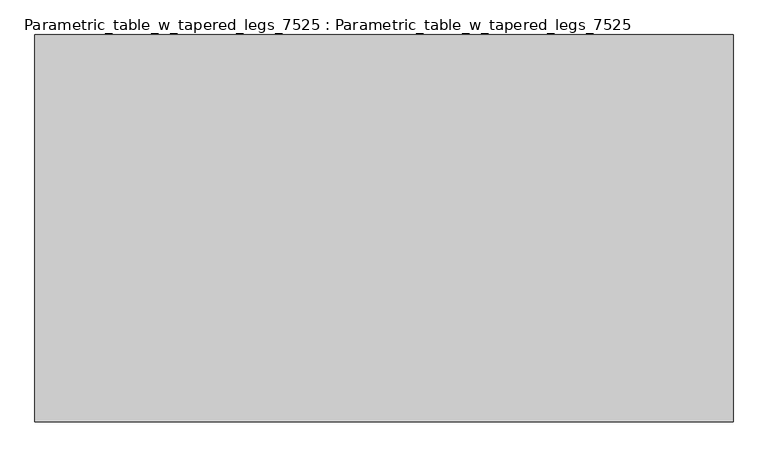
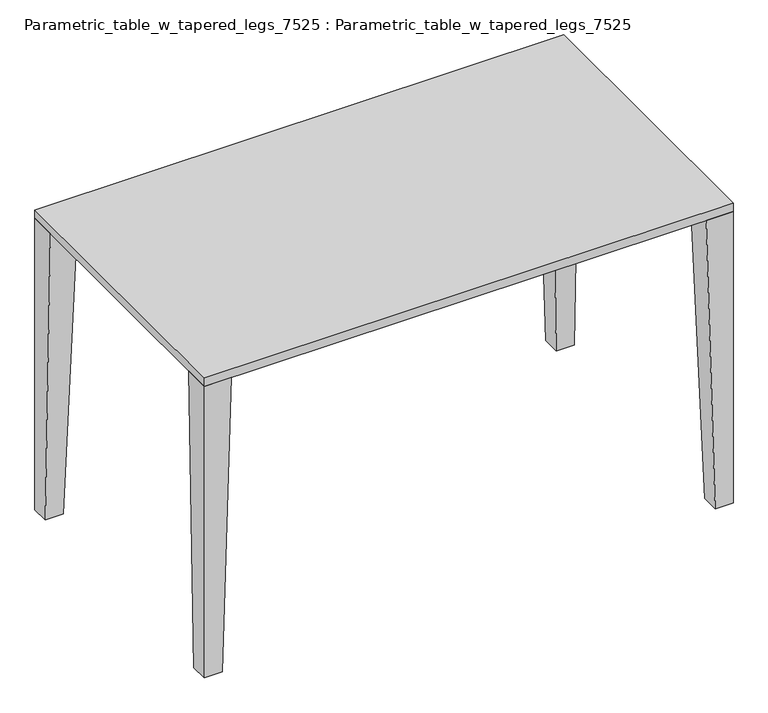
"""IFC4 building model written with IfcOpenShell, lengths in millimetres: furniture geometry, Parametric_table_w_tapered_legs_7525 : Parametric_table_w_tapered_legs_7525."""

import ifcopenshell
import ifcopenshell.guid

model = None  # the IFC model being written
_history = None  # IfcOwnerHistory: only IFC2X3 demands one
_inside = {}  # id of a spatial element -> (the spatial element, [elements in it])
_under = {}  # id of a project, library or spatial element -> (it, [spatial elements below it])
_declared = {}  # id of a project -> (the project, [libraries it declares])
_typed = {}  # id of a type object -> (the type object, [elements of that type])
_made_of = {}  # id of a material, layer set ... -> (it, [elements and type objects made of it])


def new_model(schema):
    """Start an empty IFC model of exactly this schema.

    Asked for "IFC4X3", IfcOpenShell would pick the latest addendum, in which some entities
    have other attributes; the version numbers below select the first issue.
    IFC2X3 requires an IfcOwnerHistory on every rooted entity: one is made here for all.
    """
    global model, _history
    if schema == "IFC4X3":
        model = ifcopenshell.file(schema_version=(4, 3, 0, 0))
    else:
        model = ifcopenshell.file(schema=schema)
    _inside.clear()
    _under.clear()
    _declared.clear()
    _typed.clear()
    _made_of.clear()
    _history = None
    if model.schema == "IFC2X3":
        org = make("IfcOrganization", Name="unknown")
        user = make(
            "IfcPersonAndOrganization",
            ThePerson=make("IfcPerson", FamilyName="unknown"),
            TheOrganization=org,
        )
        app = make(
            "IfcApplication",
            ApplicationDeveloper=org,
            Version="unknown",
            ApplicationFullName="unknown",
            ApplicationIdentifier="unknown",
        )
        _history = make(
            "IfcOwnerHistory",
            OwningUser=user,
            OwningApplication=app,
            ChangeAction="ADDED",
            CreationDate=0,
        )
    return model


def make(cls, **values):
    """One entity of the class cls with the attributes given. An attribute that is None is left unset."""
    return model.create_entity(
        cls, **{name: value for name, value in values.items() if value is not None}
    )


def rooted(cls, **values):
    """An entity with a GlobalId (a new one), such as an element, a storey or a relation."""
    return make(cls, GlobalId=ifcopenshell.guid.new(), OwnerHistory=_history, **values)


def si_unit(unit_type, name, prefix=None):
    """IfcSIUnit, for example si_unit("LENGTHUNIT", "METRE", prefix="MILLI")."""
    return make("IfcSIUnit", UnitType=unit_type, Prefix=prefix, Name=name)


def assignment(units):
    """IfcUnitAssignment: the units of a project."""
    return None if units is None else make("IfcUnitAssignment", Units=units)


def point(xyz):
    """IfcCartesianPoint."""
    return None if xyz is None else make("IfcCartesianPoint", Coordinates=xyz)


def direction(xyz):
    """IfcDirection."""
    return None if xyz is None else make("IfcDirection", DirectionRatios=xyz)


def frame(location, z_axis=None, x_axis=None):
    """IfcAxis2Placement3D, a coordinate frame: its origin and axes. An axis left out is left unset."""
    return make(
        "IfcAxis2Placement3D",
        Location=point(location),
        Axis=direction(z_axis),
        RefDirection=direction(x_axis),
    )


def origin():
    """The frame at (0, 0, 0) with its axes left unset."""
    return frame((0.0, 0.0, 0.0))


def place(relative_to, where):
    """IfcLocalPlacement: puts the frame where relative to a parent placement (None: the world)."""
    return make(
        "IfcLocalPlacement", PlacementRelTo=relative_to, RelativePlacement=where
    )


def context(
    kind, dimensions, precision=None, world=None, true_north=None, identifier=None
):
    """IfcGeometricRepresentationContext, for example the 3D "Model" context."""
    return make(
        "IfcGeometricRepresentationContext",
        ContextIdentifier=identifier,
        ContextType=kind,
        CoordinateSpaceDimension=dimensions,
        Precision=precision,
        WorldCoordinateSystem=world,
        TrueNorth=true_north,
    )


def project(units=None, contexts=None):
    """IfcProject with its units and contexts."""
    return rooted(
        "IfcProject",
        Name="project",
        RepresentationContexts=contexts,
        UnitsInContext=assignment(units),
    )


def spatial(cls, under=None, at=None, **own):
    """A site, building, storey or space (cls), placed at a placement, below another one or the project."""
    s = rooted(cls, ObjectPlacement=at, **own)
    if under is not None:
        _under.setdefault(under.id(), (under, []))[1].append(s)
    return s


def polyline(points):
    """IfcPolyline through the points."""
    return make("IfcPolyline", Points=[point(p) for p in points])


def outline(outer, holes=None, kind="AREA"):
    """IfcArbitraryClosedProfileDef: a profile drawn as a closed curve; with holes, ...WithVoids."""
    if holes is None:
        return make("IfcArbitraryClosedProfileDef", ProfileType=kind, OuterCurve=outer)
    return make(
        "IfcArbitraryProfileDefWithVoids",
        ProfileType=kind,
        OuterCurve=outer,
        InnerCurves=holes,
    )


def extrude(swept, where, along, depth):
    """IfcExtrudedAreaSolid: the profile swept, set in the frame where, extruded along a direction by depth."""
    return make(
        "IfcExtrudedAreaSolid",
        SweptArea=swept,
        Position=where,
        ExtrudedDirection=direction(along),
        Depth=depth,
    )


def faces_of(points, faces, orient=None, outer=None):
    """IfcFace entities. A face is a list of loops; a loop is a list of indices into points, from 0.

    orient and outer hold one flag for each loop. By default every Orientation is true, the
    first loop of a face is its IfcFaceOuterBound and the others are IfcFaceBound.
    """
    made = []
    for i, loops in enumerate(faces):
        bounds = []
        for j, loop in enumerate(loops):
            is_outer = j == 0 if outer is None else outer[i][j]
            bounds.append(
                make(
                    "IfcFaceOuterBound" if is_outer else "IfcFaceBound",
                    Bound=make("IfcPolyLoop", Polygon=[points[k] for k in loop]),
                    Orientation=True if orient is None else orient[i][j],
                )
            )
        made.append(make("IfcFace", Bounds=bounds))
    return made


def faceted_brep(points, faces, orient=None, outer=None, voids=None):
    """IfcFacetedBrep: a solid bounded by flat faces; with voids (closed shells), ...WithVoids."""
    shared = [point(p) for p in points]
    hull = make("IfcClosedShell", CfsFaces=faces_of(shared, faces, orient, outer))
    if voids is None:
        return make("IfcFacetedBrep", Outer=hull)
    return make(
        "IfcFacetedBrepWithVoids",
        Outer=hull,
        Voids=[
            make(cls, CfsFaces=faces_of(shared, fs, o, b)) for cls, fs, o, b in voids
        ],
    )


def shape(context_of_items, identifier, shape_type, items):
    """IfcShapeRepresentation: the items that make up one representation, for example the "Body"."""
    return make(
        "IfcShapeRepresentation",
        ContextOfItems=context_of_items,
        RepresentationIdentifier=identifier,
        RepresentationType=shape_type,
        Items=items,
    )


def source(mapping_origin, context_of_items, identifier, shape_type, items):
    """IfcRepresentationMap: a shape defined once, which mapped items show again and again."""
    return make(
        "IfcRepresentationMap",
        MappingOrigin=mapping_origin,
        MappedRepresentation=shape(context_of_items, identifier, shape_type, items),
    )


def transform(
    local_origin,
    x_axis=None,
    y_axis=None,
    z_axis=None,
    scale=None,
    scale2=None,
    scale3=None,
    uniform=True,
):
    """IfcCartesianTransformationOperator3D, or its non-uniform kind. x_axis, y_axis, z_axis: its Axis1, 2, 3."""
    if uniform:
        return make(
            "IfcCartesianTransformationOperator3D",
            Axis1=direction(x_axis),
            Axis2=direction(y_axis),
            LocalOrigin=point(local_origin),
            Scale=scale,
            Axis3=direction(z_axis),
        )
    return make(
        "IfcCartesianTransformationOperator3DnonUniform",
        Axis1=direction(x_axis),
        Axis2=direction(y_axis),
        LocalOrigin=point(local_origin),
        Scale=scale,
        Axis3=direction(z_axis),
        Scale2=scale2,
        Scale3=scale3,
    )


def mapped(mapping_source, mapping_target):
    """IfcMappedItem: shows the shape of a source again, moved by a transform."""
    return make(
        "IfcMappedItem", MappingSource=mapping_source, MappingTarget=mapping_target
    )


def made_of(thing, what):
    """Note that an element or type object is made of a material, layer set ...; save() writes the relation."""
    if what is not None:
        _made_of.setdefault(what.id(), (what, []))[1].append(thing)
    return thing


def element(
    cls,
    number,
    at=None,
    inside=None,
    cuts=None,
    type_object=None,
    material=None,
    context=None,
    identifier="Body",
    shape_type=None,
    held_by="IfcProductDefinitionShape",
    body=None,
    shapes=None,
    **own,
):
    """One element of the class cls, such as IfcWall. Its Tag is "e" and its number.

    at: its placement. inside: the storey or other place that contains it. cuts: it is an
    opening in that element (IfcRelVoidsElement). A single representation is given by context,
    identifier, shape_type and body (its items); several are given by shapes. held_by: the class
    of the entity that holds the representations. save() writes the other relations.
    """
    e = rooted(cls, Tag="e%d" % number, ObjectPlacement=at, **own)
    if body is not None:
        shapes = [shape(context, identifier, shape_type, body)]
    if shapes is not None:
        e.Representation = make(held_by, Representations=shapes)
    if inside is not None:
        _inside.setdefault(inside.id(), (inside, []))[1].append(e)
    if cuts is not None:
        rooted(
            "IfcRelVoidsElement", RelatingBuildingElement=cuts, RelatedOpeningElement=e
        )
    if type_object is not None:
        _typed.setdefault(type_object.id(), (type_object, []))[1].append(e)
    return made_of(e, material)


def aggregate(whole, parts):
    """IfcRelAggregates: a whole, such as a stair, and the parts it consists of."""
    return rooted("IfcRelAggregates", RelatingObject=whole, RelatedObjects=parts)


def save(model, path):
    """Write the relations noted so far, then the file.

    IfcRelAggregates (storeys below a building ...), IfcRelContainedInSpatialStructure (elements
    in a storey), IfcRelDefinesByType, IfcRelAssociatesMaterial and IfcRelDeclares: one each for
    every whole, place, type object, material and project.
    """
    for whole, parts in _under.values():
        aggregate(whole, parts)
    for where, things in _inside.values():
        rooted(
            "IfcRelContainedInSpatialStructure",
            RelatedElements=things,
            RelatingStructure=where,
        )
    for kind, things in _typed.values():
        rooted("IfcRelDefinesByType", RelatedObjects=things, RelatingType=kind)
    for what, things in _made_of.values():
        rooted("IfcRelAssociatesMaterial", RelatedObjects=things, RelatingMaterial=what)
    for by, libraries in _declared.values():
        rooted("IfcRelDeclares", RelatingContext=by, RelatedDefinitions=libraries)
    model.write(path)


def parametric_table_w_tapered_legs_7525_parametric_table_w_ab6b0d78(model_context):
    return source(origin(), model_context, "Body", "SolidModel", [
        faceted_brep([(699.2, -416.2513358, 0.0), (699.2, -365.4513358, 0.0), (750.0, -365.4513358, 0.0), (750.0, -416.2513358, 0.0), (673.8, -416.2513358, 874.6), (750.0, -416.2513358, 874.6), (750.0, -340.0513358, 874.6), (673.8, -340.0513358, 874.6)], [[[0, 1, 2, 3]], [[4, 5, 6, 7]], [[4, 7, 1, 0]], [[7, 6, 2, 1]], [[6, 5, 3, 2]], [[5, 4, 0, 3]]]),
        faceted_brep([(-699.2, -416.2513358, 0.0), (-750.0, -416.2513358, 0.0), (-750.0, -365.4513358, 0.0), (-699.2, -365.4513358, 0.0), (-673.8, -416.2513358, 874.6), (-673.8, -340.0513358, 874.6), (-750.0, -340.0513358, 874.6), (-750.0, -416.2513358, 874.6)], [[[0, 1, 2, 3]], [[4, 5, 6, 7]], [[5, 4, 0, 3]], [[6, 5, 3, 2]], [[7, 6, 2, 1]], [[4, 7, 1, 0]]]),
        faceted_brep([(699.2, 416.2513358, 0.0), (750.0, 416.2513358, 0.0), (750.0, 365.4513358, 0.0), (699.2, 365.4513358, 0.0), (673.8, 416.2513358, 874.6), (673.8, 340.0513358, 874.6), (750.0, 340.0513358, 874.6), (750.0, 416.2513358, 874.6)], [[[0, 1, 2, 3]], [[4, 5, 6, 7]], [[5, 4, 0, 3]], [[6, 5, 3, 2]], [[7, 6, 2, 1]], [[4, 7, 1, 0]]]),
        faceted_brep([(-699.2, 416.2513358, 0.0), (-699.2, 365.4513358, 0.0), (-750.0, 365.4513358, 0.0), (-750.0, 416.2513358, 0.0), (-673.8, 416.2513358, 874.6), (-750.0, 416.2513358, 874.6), (-750.0, 340.0513358, 874.6), (-673.8, 340.0513358, 874.6)], [[[0, 1, 2, 3]], [[4, 5, 6, 7]], [[4, 7, 1, 0]], [[7, 6, 2, 1]], [[6, 5, 3, 2]], [[5, 4, 0, 3]]]),
        extrude(outline(polyline([(750.0, -416.2513358), (-750.0, -416.2513358), (-750.0, 416.2513358), (750.0, 416.2513358), (750.0, -416.2513358)])), frame((0.0, 0.0, 874.6), z_axis=(0.0, 0.0, 1.0), x_axis=(1.0, 0.0, 0.0)), (0.0, 0.0, 1.0), 25.4),
    ])


if __name__ == "__main__":
    model = new_model("IFC4")
    model_context = context("Model", 3, world=origin())
    ifc_project = project(units=[si_unit("LENGTHUNIT", "METRE", prefix="MILLI")], contexts=[model_context])
    site = spatial("IfcSite", under=ifc_project)
    building = spatial("IfcBuilding", under=site)
    placement = place(None, origin())
    parametric_table_w_tapered_legs_7525_parametric_table_w_shape = parametric_table_w_tapered_legs_7525_parametric_table_w_ab6b0d78(model_context)
    element("IfcFurniture", 1, ObjectType="Parametric_table_w_tapered_legs_7525 : Parametric_table_w_tapered_legs_7525", at=placement, inside=building, context=model_context, shape_type="MappedRepresentation", body=[
        mapped(parametric_table_w_tapered_legs_7525_parametric_table_w_shape, transform((0.0, 0.0, 0.0), x_axis=(1.0, 0.0, 0.0), y_axis=(0.0, 1.0, 0.0), z_axis=(0.0, 0.0, 1.0))),
    ])
    save(model, "model.ifc")
